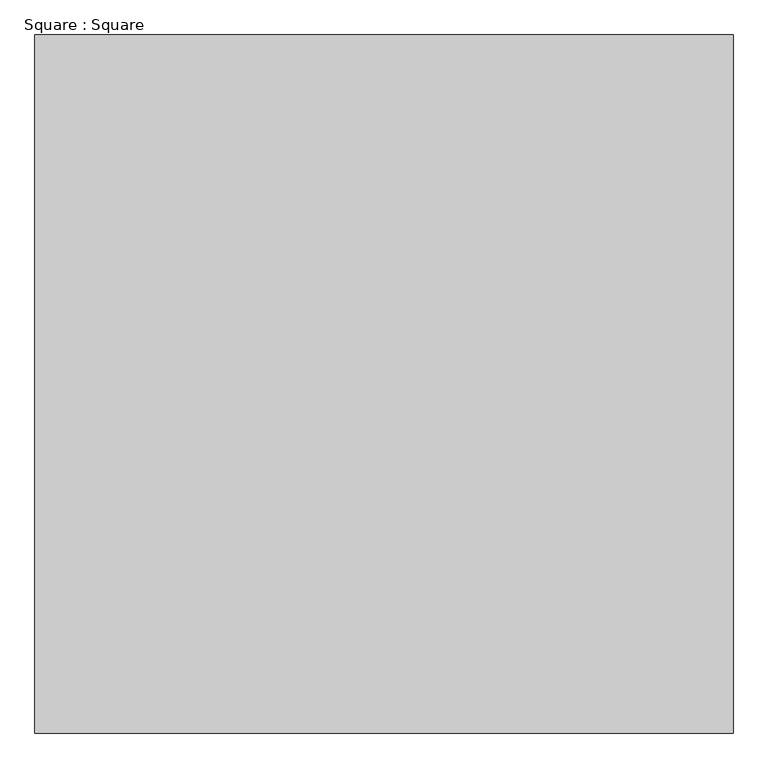
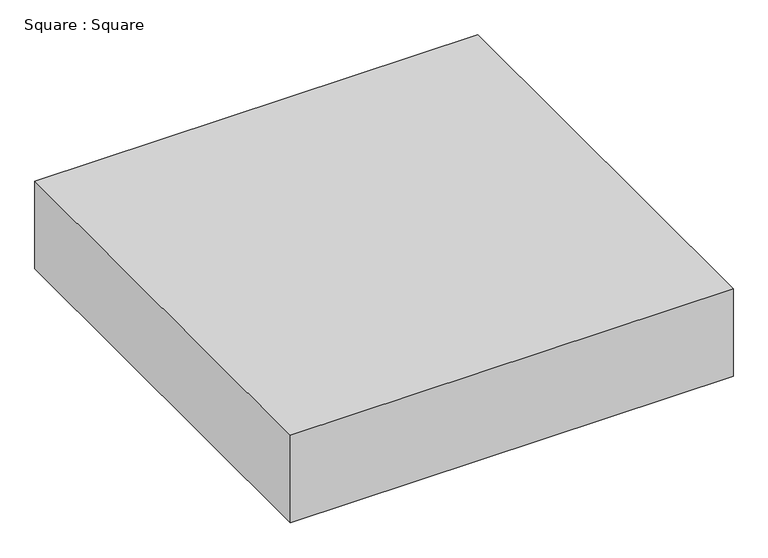
"""IFC4 building model written with IfcOpenShell, lengths in millimetres: proxy geometry, Square : Square."""

from ifc_helpers import new_model, si_unit, origin, origin_with_axes, place, context, project, spatial, polyline, outline, extrude, source, transform, mapped, element, save


def square_square_c9f85e25(model_context):
    return source(origin(), model_context, "Body", "SweptSolid", [
        extrude(outline(polyline([(600.0, 600.0), (600.0, -600.0), (-600.0, -600.0), (-600.0, 600.0), (600.0, 600.0)])), origin_with_axes(), (0.0, 0.0, 1.0), 250.0),
    ])


if __name__ == "__main__":
    model = new_model("IFC4")
    model_context = context("Model", 3, world=origin())
    ifc_project = project(units=[si_unit("LENGTHUNIT", "METRE", prefix="MILLI")], contexts=[model_context])
    site = spatial("IfcSite", under=ifc_project)
    building = spatial("IfcBuilding", under=site)
    placement = place(None, origin())
    square_square_shape = square_square_c9f85e25(model_context)
    element("IfcBuildingElementProxy", 1, Name="Square : Square", ObjectType="Square : Square", at=placement, inside=building, context=model_context, shape_type="MappedRepresentation", body=[
        mapped(square_square_shape, transform((0.0, 0.0, 0.0), x_axis=(1.0, 0.0, 0.0), y_axis=(0.0, 1.0, 0.0), z_axis=(0.0, 0.0, 1.0))),
    ])
    save(model, "model.ifc")
